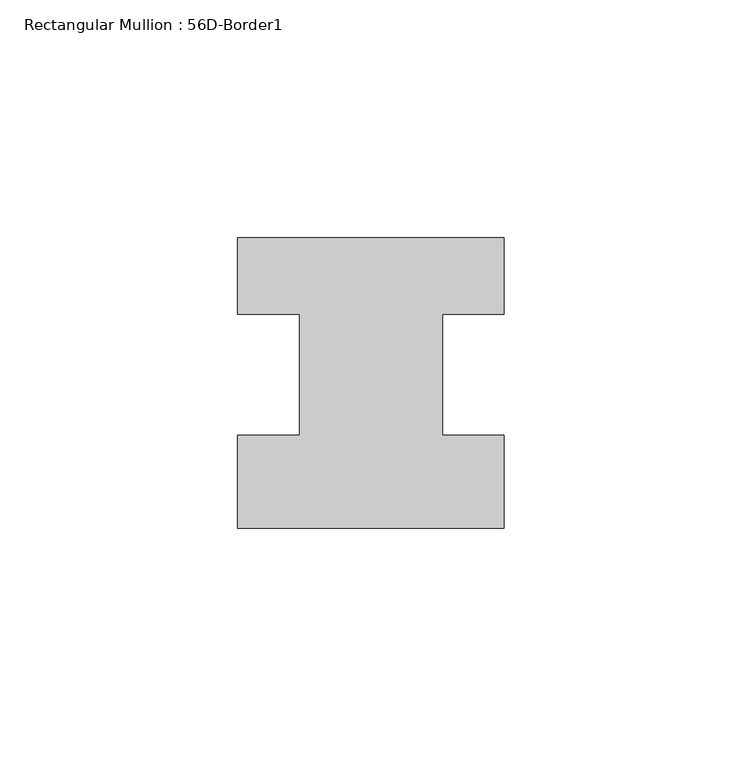
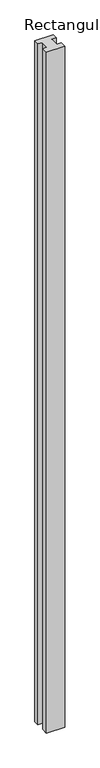
"""IFC4 building model written with IfcOpenShell, lengths in millimetres: member geometry, Rectangular Mullion : 56D-Border1."""

from ifc_helpers import new_model, si_unit, frame, origin, place, context, project, spatial, polyline, outline, extrude, source, transform, mapped, element, save


def rectangular_mullion_56d_border1_173573e3(model_context):
    return source(origin(), model_context, "Body", "SweptSolid", [
        extrude(outline(polyline([(-56.0, -20.0), (-56.0, -0.5), (-43.0, -0.5), (-43.0, 25.0), (-56.0, 25.0), (-56.0, 41.0), (0.0, 41.0), (0.0, 25.0), (-13.0, 25.0), (-13.0, -0.5), (0.0, -0.5), (0.0, -20.0), (-56.0, -20.0)])), frame((0.0, 0.0, -2200.0), z_axis=(0.0, 0.0, 1.0), x_axis=(1.0, 0.0, 0.0)), (0.0, 0.0, 1.0), 2200.0),
    ])


if __name__ == "__main__":
    model = new_model("IFC4")
    model_context = context("Model", 3, world=origin())
    ifc_project = project(units=[si_unit("LENGTHUNIT", "METRE", prefix="MILLI")], contexts=[model_context])
    site = spatial("IfcSite", under=ifc_project)
    building = spatial("IfcBuilding", under=site)
    placement = place(None, origin())
    rectangular_mullion_56d_border1_shape = rectangular_mullion_56d_border1_173573e3(model_context)
    element("IfcMember", 1, ObjectType="Rectangular Mullion : 56D-Border1", at=placement, inside=building, context=model_context, shape_type="MappedRepresentation", body=[
        mapped(rectangular_mullion_56d_border1_shape, transform((0.0, 0.0, 0.0), x_axis=(1.0, 0.0, 0.0), y_axis=(0.0, 1.0, 0.0), z_axis=(0.0, 0.0, 1.0))),
    ])
    save(model, "model.ifc")
